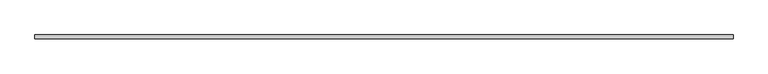
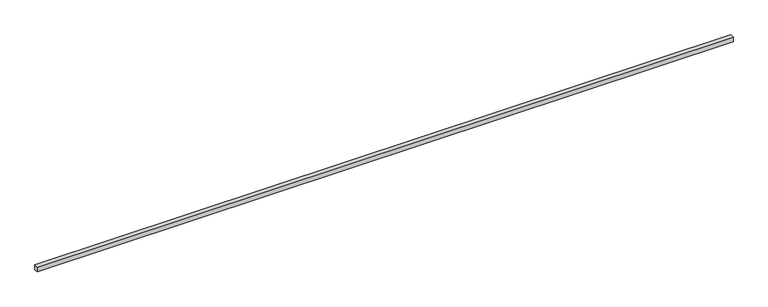
"""IFC4 building model written with IfcOpenShell, lengths in millimetres: proxy geometry."""

from ifc_helpers import new_model, si_unit, frame, origin, place, context, project, spatial, polyline, outline, extrude, source, transform, mapped, element, save


def generic_models_85ea51f4(model_context):
    return source(origin(), model_context, "Body", "SweptSolid", [
        extrude(outline(polyline([(40.0, 0.0), (-40.0, 0.0), (-40.0, 14081.9040124), (40.0, 14081.9040124), (40.0, 0.0)])), frame((14081.9040124, 0.0, 0.0), z_axis=(0.0, -1.9783474858313244e-12, 1.0), x_axis=(0.0, 1.0, 1.9783474858313244e-12)), (0.0, 0.0, 1.0), 100.0),
    ])


if __name__ == "__main__":
    model = new_model("IFC4")
    model_context = context("Model", 3, world=origin())
    ifc_project = project(units=[si_unit("LENGTHUNIT", "METRE", prefix="MILLI")], contexts=[model_context])
    site = spatial("IfcSite", under=ifc_project)
    building = spatial("IfcBuilding", under=site)
    placement = place(None, origin())
    generic_models_shape = generic_models_85ea51f4(model_context)
    element("IfcBuildingElementProxy", 1, Name="Generic Models", at=placement, inside=building, context=model_context, shape_type="MappedRepresentation", body=[
        mapped(generic_models_shape, transform((0.0, 0.0, 0.0), x_axis=(1.0, 0.0, 0.0), y_axis=(0.0, 1.0, 0.0), z_axis=(0.0, 0.0, 1.0))),
    ])
    save(model, "model.ifc")
